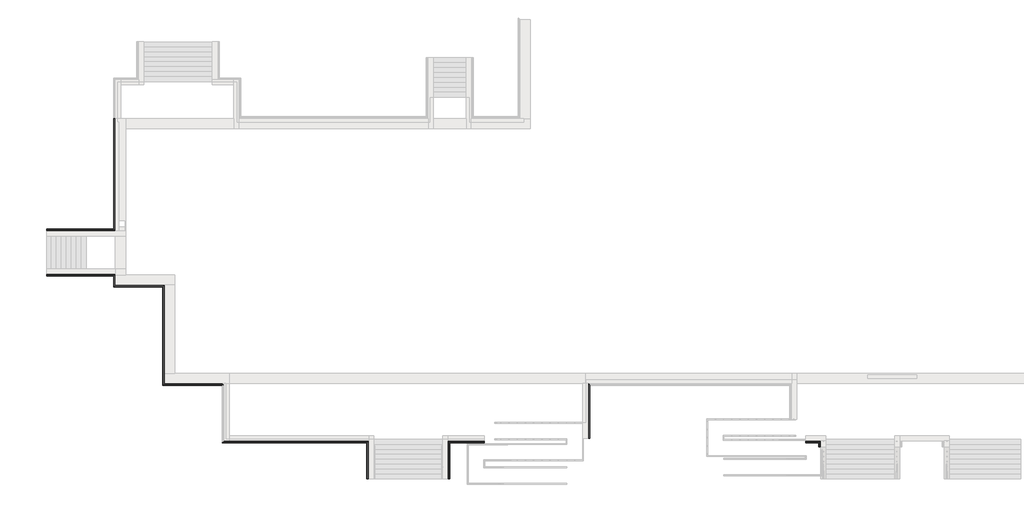
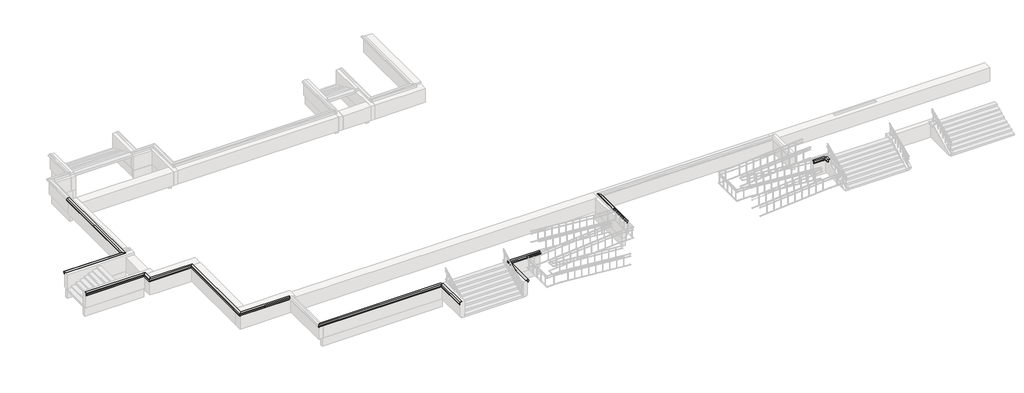
# One storey, part 5 of 10: 14 proxies.
"""IFC4 building model written with IfcOpenShell, lengths in millimetres."""

from ifc_helpers import new_model, si_unit, point, frame, frame_2d, origin, place, context, project, spatial, polyline, circle_curve, ellipse_curve, trimmed, segment, composite_curve, outline, extrude, element, save
from ifc_brep_helpers import plane_surface, cylinder_surface, revolved_surface, advanced_brep

model = new_model("IFC4")

# Units and contexts
model_context = context("Model", 3, world=origin())
ifc_project = project(units=[si_unit("LENGTHUNIT", "METRE", prefix="MILLI")], contexts=[model_context])

# Site, building, storey
site = spatial("IfcSite", under=ifc_project)
building = spatial("IfcBuilding", under=site)
storey = spatial("IfcBuildingStorey", under=building, Elevation=-1200.0)

# Proxies
placement = place(None, origin())
element("IfcBuildingElementProxy", 1, Name="Wall Sweeps", at=placement, inside=storey, context=model_context, shape_type="AdvancedBrep", body=[
    advanced_brep(
    [(-45314.9887159, -9231.8920513, -15.0), (-45249.9887159, -9166.8920513, 30.51349), (-45099.9887159, -9016.8920513, 30.51349), (-45099.9887159, -9016.8920513, 0.0), (-45199.9887159, -9116.8920513, 0.0), (-45199.9887159, -9116.8920513, -150.0), (-45249.9887159, -9166.8920513, -150.0), (-45314.9887159, -9231.8920513, -85.0), (-45314.9887159, -15231.8920513, -15.0), (-45314.9887159, -15231.8920513, -85.0), (-45249.9887159, -15166.8920513, -150.0), (-45199.9887159, -15116.8920513, -150.0), (-45199.9887159, -15116.8920513, 0.0), (-45099.9887159, -15016.8920513, 0.0), (-45099.9887159, -15016.8920513, 30.51349), (-45249.9887159, -15166.8920513, 30.51349), (-45199.9887159, -14506.8920513, 0.0)],
    [
        (0, 1),
        (1, 2),
        (2, 3),
        (3, 4),
        (4, 5),
        (5, 6),
        (6, 7, ellipse_curve(frame((-45314.9887159, -9231.8920513, -150.0), z_axis=(0.707106781186544, -0.7071067811865511, 0.0), x_axis=(-0.7071067811865512, -0.7071067811865438, 0.0)), 91.9238816, 65.0)),
        (7, 0),
        (8, 9),
        (9, 10, ellipse_curve(frame((-45314.9887159, -15231.8920513, -150.0), z_axis=(-0.707106781186544, 0.7071067811865511, 0.0), x_axis=(-0.7071067811865512, -0.7071067811865438, 0.0)), 91.9238816, 65.0)),
        (10, 11),
        (11, 12),
        (12, 13),
        (13, 14),
        (14, 15),
        (15, 8),
        (0, 8),
        (15, 1),
        (14, 2),
        (13, 3),
        (12, 16),
        (16, 4),
        (11, 5),
        (10, 6),
        (9, 7),
    ],
    [
        plane_surface(frame((-45199.9887159, -9116.8920513, 304.8), z_axis=(-0.707106781186544, 0.7071067811865511, 0.0), x_axis=(-0.7071067811865511, -0.707106781186544, 0.0))),
        plane_surface(frame((-45199.9887159, -15116.8920513, -304.8), z_axis=(0.707106781186544, -0.7071067811865511, 0.0), x_axis=(0.7071067811865511, 0.707106781186544, 0.0))),
        plane_surface(frame((-45314.9887159, -9231.8920513, -15.0), z_axis=(-0.5735764363510482, 0.0, 0.8191520442889904), x_axis=(0.0, -1.0, 0.0))),
        plane_surface(frame((-45249.9887159, -9166.8920513, 30.51349), z_axis=(0.0, 0.0, 1.0), x_axis=(0.0, -1.0, 0.0))),
        plane_surface(frame((-45099.9887159, -9016.8920513, 30.51349), z_axis=(1.0, 0.0, 0.0), x_axis=(0.0, -1.0, 0.0))),
        plane_surface(frame((-45099.9887159, -9016.8920513, 0.0), z_axis=(0.0, 0.0, -1.0), x_axis=(0.0, -1.0, 0.0))),
        plane_surface(frame((-45199.9887159, -9116.8920513, 0.0), z_axis=(1.0, 0.0, 0.0), x_axis=(0.0, -1.0, 0.0))),
        plane_surface(frame((-45199.9887159, -9116.8920513, -150.0), z_axis=(0.0, 0.0, -1.0), x_axis=(0.0, -1.0, 0.0))),
        revolved_surface(polyline([(-45379.9887159, -15296.892051332348, -150.0), (-45379.9887159, -9166.89205126765, -150.0)]), (-45314.9887159, -9116.8920513, -150.0), (0.0, -1.0, 0.0)),
        plane_surface(frame((-45314.9887159, -9231.8920513, -85.0), z_axis=(-1.0, 0.0, 0.0), x_axis=(0.0, -1.0, 0.0))),
    ],
    [
        (0, [[1, 2, 3, 4, 5, 6, 7, 8]]),
        (1, [[9, 10, 11, 12, 13, 14, 15, 16]]),
        (2, [[-1, 17, -16, 18]]),
        (3, [[-2, -18, -15, 19]]),
        (4, [[-3, -19, -14, 20]]),
        (5, [[-4, -20, -13, 21, 22]]),
        (6, [[-5, -22, -21, -12, 23]]),
        (7, [[-6, -23, -11, 24]]),
        (8, [[-7, -24, -10, 25]]),
        (9, [[-8, -25, -9, -17]]),
    ],
),
])
element("IfcBuildingElementProxy", 2, Name="Wall Sweeps", at=placement, inside=storey, context=model_context, shape_type="AdvancedBrep", body=[
    advanced_brep(
    [(-48314.9887159, -9231.8920513, -15.0), (-48249.9887159, -9166.8920513, 30.51349), (-48099.9887159, -9016.8920513, 30.51349), (-48099.9887159, -9016.8920513, 0.0), (-48199.9887159, -9116.8920513, 0.0), (-48199.9887159, -9116.8920513, -150.0), (-48249.9887159, -9166.8920513, -150.0), (-48314.9887159, -9231.8920513, -85.0), (-45314.9887159, -9231.8920513, -15.0), (-45314.9887159, -9231.8920513, -85.0), (-45249.9887159, -9166.8920513, -150.0), (-45199.9887159, -9116.8920513, -150.0), (-45199.9887159, -9116.8920513, 0.0), (-45099.9887159, -9016.8920513, 0.0), (-45099.9887159, -9016.8920513, 30.51349), (-45249.9887159, -9166.8920513, 30.51349), (-47589.9887159, -9016.8920513, 0.0)],
    [
        (0, 1),
        (1, 2),
        (2, 3),
        (3, 4),
        (4, 5),
        (5, 6),
        (6, 7, ellipse_curve(frame((-48314.9887159, -9231.8920513, -150.0), z_axis=(0.707106781186544, -0.7071067811865511, 0.0), x_axis=(0.707106781186551, 0.707106781186544, 0.0)), 91.9238816, 65.0)),
        (7, 0),
        (8, 9),
        (9, 10, ellipse_curve(frame((-45314.9887159, -9231.8920513, -150.0), z_axis=(-0.707106781186544, 0.7071067811865511, 0.0), x_axis=(0.707106781186551, 0.707106781186544, 0.0)), 91.9238816, 65.0)),
        (10, 11),
        (11, 12),
        (12, 13),
        (13, 14),
        (14, 15),
        (15, 8),
        (0, 8),
        (15, 1),
        (14, 2),
        (13, 16),
        (16, 3),
        (12, 4),
        (11, 5),
        (10, 6),
        (9, 7),
    ],
    [
        plane_surface(frame((-48199.9887159, -9116.8920513, -304.8), z_axis=(-0.707106781186544, 0.7071067811865511, 0.0), x_axis=(0.7071067811865511, 0.707106781186544, 0.0))),
        plane_surface(frame((-45199.9887159, -9116.8920513, 304.8), z_axis=(0.707106781186544, -0.7071067811865511, 0.0), x_axis=(-0.7071067811865511, -0.707106781186544, 0.0))),
        plane_surface(frame((-48314.9887159, -9231.8920513, -15.0), z_axis=(0.0, -0.5735764363510482, 0.8191520442889904), x_axis=(1.0, 0.0, 0.0))),
        plane_surface(frame((-48249.9887159, -9166.8920513, 30.51349), z_axis=(0.0, 0.0, 1.0), x_axis=(1.0, 0.0, 0.0))),
        plane_surface(frame((-48099.9887159, -9016.8920513, 30.51349), z_axis=(0.0, 1.0, 0.0), x_axis=(1.0, 0.0, 0.0))),
        plane_surface(frame((-48099.9887159, -9016.8920513, 0.0), z_axis=(0.0, 0.0, -1.0), x_axis=(1.0, 0.0, 0.0))),
        plane_surface(frame((-48199.9887159, -9116.8920513, 0.0), z_axis=(0.0, 1.0, 0.0), x_axis=(1.0, 0.0, 0.0))),
        plane_surface(frame((-48199.9887159, -9116.8920513, -150.0), z_axis=(0.0, 0.0, -1.0), x_axis=(1.0, 0.0, 0.0))),
        revolved_surface(polyline([(-45249.98871586765, -9296.8920513, -150.0), (-48379.98871593235, -9296.8920513, -150.0)]), (-48199.9887159, -9231.8920513, -150.0), (1.0, 0.0, 0.0)),
        plane_surface(frame((-48314.9887159, -9231.8920513, -85.0), z_axis=(0.0, -1.0, 0.0), x_axis=(1.0, 0.0, 0.0))),
    ],
    [
        (0, [[1, 2, 3, 4, 5, 6, 7, 8]]),
        (1, [[9, 10, 11, 12, 13, 14, 15, 16]]),
        (2, [[-1, 17, -16, 18]]),
        (3, [[-2, -18, -15, 19]]),
        (4, [[-3, -19, -14, 20, 21]]),
        (5, [[-4, -21, -20, -13, 22]]),
        (6, [[-5, -22, -12, 23]]),
        (7, [[-6, -23, -11, 24]]),
        (8, [[-7, -24, -10, 25]]),
        (9, [[-8, -25, -9, -17]]),
    ],
),
])
element("IfcBuildingElementProxy", 3, Name="Wall Sweeps", at=placement, inside=storey, context=model_context, shape_type="AdvancedBrep", body=[
    advanced_brep(
    [(-32914.9887159, -18646.8920513, -15.0), (-32849.9887159, -18646.8920513, 30.51349), (-32799.9887159, -18646.8920513, 30.51349), (-32699.9887159, -18646.8920513, 30.51349), (-32699.9887159, -18646.8920513, 0.0), (-32799.9887159, -18646.8920513, 0.0), (-32799.9887159, -18646.8920513, -150.0), (-32849.9887159, -18646.8920513, -150.0), (-32914.9887159, -18646.8920513, -85.0), (-32914.9887159, -20906.8920513, -15.0), (-32914.9887159, -20906.8920513, -85.0), (-32849.9887159, -20906.8920513, -150.0), (-32799.9887159, -20906.8920513, -150.0), (-32799.9887159, -20906.8920513, 0.0), (-32699.9887159, -20906.8920513, 0.0), (-32699.9887159, -20906.8920513, 30.51349), (-32849.9887159, -20906.8920513, 30.51349), (-32914.9887159, -18731.8920513, -85.0), (-32914.9887159, -18731.8920513, -15.0), (-32849.9887159, -18666.8920513, -150.0), (-32849.9887159, -18666.8920513, 30.51349)],
    [
        (0, 1),
        (1, 2),
        (2, 3),
        (3, 4),
        (4, 5),
        (5, 6),
        (6, 7),
        (7, 8, circle_curve(frame((-32914.9887159, -18646.8920513, -150.0), z_axis=(0.0, -1.0, 0.0), x_axis=(-1.0, 0.0, 0.0)), 65.0)),
        (8, 0),
        (9, 10),
        (10, 11, circle_curve(frame((-32914.9887159, -20906.8920513, -150.0), z_axis=(0.0, 1.0, 0.0), x_axis=(-1.0, 0.0, 0.0)), 65.0)),
        (11, 12),
        (12, 13),
        (13, 14),
        (14, 15),
        (15, 16),
        (16, 9),
        (8, 17),
        (17, 10),
        (9, 18),
        (18, 0),
        (7, 19),
        (19, 11),
        (6, 12),
        (5, 13),
        (4, 14),
        (3, 15),
        (1, 20),
        (20, 16),
    ],
    [
        plane_surface(frame((-32958.1025989, -18646.8920513, 0.0), z_axis=(0.0, 1.0, 0.0), x_axis=(0.0, 0.0, -1.0))),
        plane_surface(frame((-32958.1025989, -20906.8920513, 0.0), z_axis=(0.0, -1.0, 0.0), x_axis=(0.0, 0.0, -1.0))),
        plane_surface(frame((-32914.9887159, -18646.8920513, -85.0), z_axis=(-1.0, 0.0, 0.0), x_axis=(0.0, -1.0, 0.0))),
        revolved_surface(polyline([(-32979.9887159, -20906.8920513, -150.0), (-32979.9887159, -18646.8920513, -150.0)]), (-32914.9887159, -18646.8920513, -150.0), (0.0, -1.0, 0.0)),
        plane_surface(frame((-32799.9887159, -18646.8920513, -150.0), z_axis=(0.0, 0.0, -1.0), x_axis=(0.0, -1.0, 0.0))),
        plane_surface(frame((-32799.9887159, -18646.8920513, 0.0), z_axis=(1.0, 0.0, 0.0), x_axis=(0.0, -1.0, 0.0))),
        plane_surface(frame((-32699.9887159, -18646.8920513, 0.0), z_axis=(0.0, 0.0, -1.0), x_axis=(0.0, -1.0, 0.0))),
        plane_surface(frame((-32699.9887159, -18646.8920513, 30.51349), z_axis=(1.0, 0.0, 0.0), x_axis=(0.0, -1.0, 0.0))),
        plane_surface(frame((-32849.9887159, -18646.8920513, 30.51349), z_axis=(0.0, 0.0, 1.0), x_axis=(0.0, -1.0, 0.0))),
        plane_surface(frame((-32914.9887159, -18646.8920513, -15.0), z_axis=(-0.5735764363510482, 0.0, 0.8191520442889904), x_axis=(0.0, -1.0, 0.0))),
    ],
    [
        (0, [[1, 2, 3, 4, 5, 6, 7, 8, 9]]),
        (1, [[10, 11, 12, 13, 14, 15, 16, 17]]),
        (2, [[-9, 18, 19, -10, 20, 21]]),
        (3, [[-8, 22, 23, -11, -19, -18]]),
        (4, [[-7, 24, -12, -23, -22]]),
        (5, [[-6, 25, -13, -24]]),
        (6, [[-5, 26, -14, -25]]),
        (7, [[-4, 27, -15, -26]]),
        (8, [[-3, -2, 28, 29, -16, -27]]),
        (9, [[-1, -21, -20, -17, -29, -28]]),
    ],
),
])
element("IfcBuildingElementProxy", 4, Name="Wall Sweeps", at=placement, inside=storey, context=model_context, shape_type="AdvancedBrep", body=[
    advanced_brep(
    [(-27884.9887159, -18731.8920513, -15.0), (-27884.9887159, -18731.8920513, -85.0), (-27949.9887159, -18666.8920513, -150.0), (-27999.9887159, -18616.8920513, -150.0), (-27999.9887159, -18616.8920513, 0.0), (-28099.9887159, -18516.8920513, 0.0), (-28099.9887159, -18516.8920513, 30.51349), (-27949.9887159, -18666.8920513, 30.51349), (-27884.9887159, -20906.8920513, -15.0), (-27949.9887159, -20906.8920513, 30.51349), (-28099.9887159, -20906.8920513, 30.51349), (-28099.9887159, -20906.8920513, 0.0), (-27999.9887159, -20906.8920513, 0.0), (-27999.9887159, -20906.8920513, -150.0), (-27949.9887159, -20906.8920513, -150.0), (-27884.9887159, -20906.8920513, -85.0)],
    [
        (0, 1),
        (1, 2, ellipse_curve(frame((-27884.9887159, -18731.8920513, -150.0), z_axis=(-0.707106781186544, -0.7071067811865511, 0.0), x_axis=(0.7071067811865511, -0.7071067811865439, 0.0)), 91.9238816, 65.0)),
        (2, 3),
        (3, 4),
        (4, 5),
        (5, 6),
        (6, 7),
        (7, 0),
        (8, 9),
        (9, 10),
        (10, 11),
        (11, 12),
        (12, 13),
        (13, 14),
        (14, 15, circle_curve(frame((-27884.9887159, -20906.8920513, -150.0), z_axis=(0.0, 1.0, 0.0), x_axis=(1.0, 0.0, 0.0)), 65.0)),
        (15, 8),
        (0, 8),
        (15, 1),
        (14, 2),
        (13, 3),
        (12, 4),
        (11, 5),
        (10, 6),
        (9, 7),
    ],
    [
        plane_surface(frame((-27999.9887159, -18616.8920513, -304.8), z_axis=(0.707106781186544, 0.7071067811865511, 0.0), x_axis=(0.7071067811865511, -0.707106781186544, 0.0))),
        plane_surface(frame((-28158.1025989, -20906.8920513, 0.0), z_axis=(0.0, -1.0, 0.0), x_axis=(0.0, 0.0, -1.0))),
        plane_surface(frame((-27884.9887159, -18731.8920513, -15.0), z_axis=(1.0, 0.0, 0.0), x_axis=(0.0, -1.0, 0.0))),
        revolved_surface(polyline([(-27819.9887159, -20906.8920513, -150.0), (-27819.9887159, -18666.892051267652, -150.0)]), (-27884.9887159, -18616.8920513, -150.0), (0.0, -1.0, 0.0)),
        plane_surface(frame((-27949.9887159, -18666.8920513, -150.0), z_axis=(0.0, 0.0, -1.0), x_axis=(0.0, -1.0, 0.0))),
        plane_surface(frame((-27999.9887159, -18616.8920513, -150.0), z_axis=(-1.0, 0.0, 0.0), x_axis=(0.0, -1.0, 0.0))),
        plane_surface(frame((-27999.9887159, -18616.8920513, 0.0), z_axis=(0.0, 0.0, -1.0), x_axis=(0.0, -1.0, 0.0))),
        plane_surface(frame((-28099.9887159, -18516.8920513, 0.0), z_axis=(-1.0, 0.0, 0.0), x_axis=(0.0, -1.0, 0.0))),
        plane_surface(frame((-28099.9887159, -18516.8920513, 30.51349), z_axis=(0.0, 0.0, 1.0), x_axis=(0.0, -1.0, 0.0))),
        plane_surface(frame((-27949.9887159, -18666.8920513, 30.51349), z_axis=(0.5735764363510482, 0.0, 0.8191520442889904), x_axis=(0.0, -1.0, 0.0))),
    ],
    [
        (0, [[1, 2, 3, 4, 5, 6, 7, 8]]),
        (1, [[9, 10, 11, 12, 13, 14, 15, 16]]),
        (2, [[-1, 17, -16, 18]]),
        (3, [[-2, -18, -15, 19]]),
        (4, [[-3, -19, -14, 20]]),
        (5, [[-4, -20, -13, 21]]),
        (6, [[-5, -21, -12, 22]]),
        (7, [[-6, -22, -11, 23]]),
        (8, [[-7, -23, -10, 24]]),
        (9, [[-8, -24, -9, -17]]),
    ],
),
])
element("IfcBuildingElementProxy", 5, Name="Wall Sweeps", at=placement, inside=storey, context=model_context, shape_type="SweptSolid", body=[
    extrude(outline(composite_curve([segment(polyline([(-15.0, -5454.9887159), (-85.0, -5454.9887159)]), True, "CONTINUOUS"), segment(trimmed(circle_curve(frame_2d((-150.0, -5454.9887159)), 65.0), [point((-85.0, -5454.9887159))], [point((-150.0, -5389.9887159))], True, "CARTESIAN"), True, "CONTINUOUS"), segment(polyline([(-150.0, -5389.9887159), (-150.0, -5339.9887159), (0.0, -5339.9887159), (0.0, -5239.9887159), (30.51349, -5239.9887159), (30.51349, -5389.9887159), (-15.0, -5454.9887159)]), True, "CONTINUOUS")], self_intersect=False)), frame((0.0, -18966.8920513, 0.0), z_axis=(0.0, 1.0, 0.0), x_axis=(0.0, 0.0, 1.0)), (0.0, 0.0, 1.0), 320.0),
])
element("IfcBuildingElementProxy", 6, Name="Wall Sweeps", at=placement, inside=storey, context=model_context, shape_type="AdvancedBrep", body=[
    advanced_brep(
    [(-41644.9887159, -15231.8920513, -15.0), (-41644.9887159, -15231.8920513, -85.0), (-41644.9887159, -15166.8920513, -150.0), (-41644.9887159, -15116.8920513, -150.0), (-41644.9887159, -15116.8920513, 0.0), (-41644.9887159, -15016.8920513, 0.0), (-41644.9887159, -15016.8920513, 30.51349), (-41644.9887159, -15166.8920513, 30.51349), (-45314.9887159, -15231.8920513, -15.0), (-45249.9887159, -15166.8920513, 30.51349), (-45099.9887159, -15016.8920513, 30.51349), (-45099.9887159, -15016.8920513, 0.0), (-45199.9887159, -15116.8920513, 0.0), (-45199.9887159, -15116.8920513, -150.0), (-45249.9887159, -15166.8920513, -150.0), (-45314.9887159, -15231.8920513, -85.0)],
    [
        (0, 1),
        (1, 2, circle_curve(frame((-41644.9887159, -15231.8920513, -150.0), z_axis=(-1.0, 0.0, 0.0), x_axis=(0.0, -1.0, 0.0)), 65.0)),
        (2, 3),
        (3, 4),
        (4, 5),
        (5, 6),
        (6, 7),
        (7, 0),
        (8, 9),
        (9, 10),
        (10, 11),
        (11, 12),
        (12, 13),
        (13, 14),
        (14, 15, ellipse_curve(frame((-45314.9887159, -15231.8920513, -150.0), z_axis=(0.707106781186544, -0.7071067811865511, 0.0), x_axis=(-0.707106781186551, -0.7071067811865441, 0.0)), 91.9238816, 65.0)),
        (15, 8),
        (0, 8),
        (15, 1),
        (14, 2),
        (13, 3),
        (12, 4),
        (11, 5),
        (10, 6),
        (9, 7),
    ],
    [
        plane_surface(frame((-41644.9887159, -15116.8920513, -158.113883), z_axis=(1.0, 0.0, 0.0), x_axis=(0.0, -1.0, 0.0))),
        plane_surface(frame((-45199.9887159, -15116.8920513, 304.8), z_axis=(-0.707106781186544, 0.7071067811865511, 0.0), x_axis=(0.7071067811865511, 0.707106781186544, 0.0))),
        plane_surface(frame((-41644.9887159, -15231.8920513, -15.0), z_axis=(0.0, -1.0, 0.0), x_axis=(-1.0, 0.0, 0.0))),
        revolved_surface(polyline([(-45379.98871593235, -15296.8920513, -150.0), (-41644.9887159, -15296.8920513, -150.0)]), (-41644.9887159, -15231.8920513, -150.0), (-1.0, 0.0, 0.0)),
        plane_surface(frame((-41644.9887159, -15166.8920513, -150.0), z_axis=(0.0, 0.0, -1.0), x_axis=(-1.0, 0.0, 0.0))),
        plane_surface(frame((-41644.9887159, -15116.8920513, -150.0), z_axis=(0.0, 1.0, 0.0), x_axis=(-1.0, 0.0, 0.0))),
        plane_surface(frame((-41644.9887159, -15116.8920513, 0.0), z_axis=(0.0, 0.0, -1.0), x_axis=(-1.0, 0.0, 0.0))),
        plane_surface(frame((-41644.9887159, -15016.8920513, 0.0), z_axis=(0.0, 1.0, 0.0), x_axis=(-1.0, 0.0, 0.0))),
        plane_surface(frame((-41644.9887159, -15016.8920513, 30.51349), z_axis=(0.0, 0.0, 1.0), x_axis=(-1.0, 0.0, 0.0))),
        plane_surface(frame((-41644.9887159, -15166.8920513, 30.51349), z_axis=(0.0, -0.5735764363510482, 0.8191520442889904), x_axis=(-1.0, 0.0, 0.0))),
    ],
    [
        (0, [[1, 2, 3, 4, 5, 6, 7, 8]]),
        (1, [[9, 10, 11, 12, 13, 14, 15, 16]]),
        (2, [[-1, 17, -16, 18]]),
        (3, [[-2, -18, -15, 19]]),
        (4, [[-3, -19, -14, 20]]),
        (5, [[-4, -20, -13, 21]]),
        (6, [[-5, -21, -12, 22]]),
        (7, [[-6, -22, -11, 23]]),
        (8, [[-7, -23, -10, 24]]),
        (9, [[-8, -24, -9, -17]]),
    ],
),
])
element("IfcBuildingElementProxy", 7, Name="Wall Sweeps", at=placement, inside=storey, context=model_context, shape_type="SweptSolid", body=[
    extrude(outline(composite_curve([segment(polyline([(-18731.8920513, -15.0), (-18666.8920513, 30.51349), (-18516.8920513, 30.51349), (-18516.8920513, 0.0), (-18616.8920513, 0.0), (-18616.8920513, -150.0), (-18666.8920513, -150.0)]), True, "CONTINUOUS"), segment(trimmed(circle_curve(frame_2d((-18731.8920513, -150.0)), 65.0), [point((-18666.8920513, -150.0))], [point((-18731.8920513, -85.0))], True, "CARTESIAN"), True, "CONTINUOUS"), segment(polyline([(-18731.8920513, -85.0), (-18731.8920513, -15.0)]), True, "CONTINUOUS")], self_intersect=False)), frame((-6239.9887159, 0.0, 0.0), z_axis=(1.0, 0.0, 0.0), x_axis=(0.0, 1.0, 0.0)), (0.0, 0.0, 1.0), 825.0),
])
element("IfcBuildingElementProxy", 8, Name="Wall Sweeps", at=placement, inside=storey, context=model_context, shape_type="AdvancedBrep", body=[
    advanced_brep(
    [(-41714.988716, -18731.8920513, -15.0), (-41649.988716, -18666.8920513, 30.51349), (-41499.988716, -18516.8920513, 30.51349), (-41499.988716, -18516.8920513, 0.0), (-41599.988716, -18616.8920513, 0.0), (-41599.988716, -18616.8920513, -150.0), (-41649.988716, -18666.8920513, -150.0), (-41714.988716, -18731.8920513, -85.0), (-32799.9887159, -18516.8920513, 0.0), (-32799.9887159, -18516.8920513, 30.51349), (-32799.9887159, -18646.8920513, 30.51349), (-32799.9887159, -18646.8920513, 0.0), (-32799.9887159, -18646.8920513, -150.0), (-32799.9887159, -18616.8920513, -150.0), (-32799.9887159, -18616.8920513, 0.0), (-32914.9887159, -18731.8920513, -15.0), (-32849.9887159, -18666.8920513, 30.51349), (-32849.9887159, -18646.8920513, 30.51349), (-41289.988716, -18616.8920513, 0.0), (-32849.9887159, -18646.8920513, -150.0), (-32849.9887159, -18666.8920513, -150.0), (-32914.9887159, -18731.8920513, -85.0), (-32914.9887159, -18646.8920513, -15.0), (-32914.9887159, -18646.8920513, -85.0)],
    [
        (0, 1),
        (1, 2),
        (2, 3),
        (3, 4),
        (4, 5),
        (5, 6),
        (6, 7, ellipse_curve(frame((-41714.988716, -18731.8920513, -150.0), z_axis=(0.707106781186544, -0.7071067811865511, 0.0), x_axis=(0.7071067811865509, 0.7071067811865441, 0.0)), 91.9238816, 65.0)),
        (7, 0),
        (8, 9),
        (9, 10),
        (10, 11),
        (11, 12),
        (12, 13),
        (13, 14),
        (14, 8),
        (0, 15),
        (15, 16),
        (16, 1),
        (16, 17),
        (17, 10),
        (9, 2),
        (8, 3),
        (14, 18),
        (18, 4),
        (13, 5),
        (12, 19),
        (19, 20),
        (20, 6),
        (20, 21, ellipse_curve(frame((-32914.9887159, -18731.8920513, -150.0), z_axis=(0.7071067811865456, -0.7071067811865495, 0.0), x_axis=(0.7071067811865495, 0.7071067811865456, 0.0)), 91.9238816, 65.0)),
        (21, 7),
        (21, 15),
        (17, 22),
        (22, 23),
        (23, 19, circle_curve(frame((-32914.9887159, -18646.8920513, -150.0), z_axis=(0.0, 1.0, 0.0), x_axis=(-1.0, 0.0, 0.0)), 65.0)),
        (22, 15),
        (21, 23),
    ],
    [
        plane_surface(frame((-41599.988716, -18616.8920513, -304.8), z_axis=(-0.707106781186544, 0.7071067811865511, 0.0), x_axis=(0.7071067811865511, 0.707106781186544, 0.0))),
        plane_surface(frame((-32799.9887159, -18616.8920513, -158.113883), z_axis=(1.0, 0.0, 0.0), x_axis=(0.0, 1.0, 0.0))),
        plane_surface(frame((-41714.988716, -18731.8920513, -15.0), z_axis=(0.0, -0.5735764363510482, 0.8191520442889904), x_axis=(1.0, 0.0, 0.0))),
        plane_surface(frame((-41649.988716, -18666.8920513, 30.51349), z_axis=(0.0, 0.0, 1.0), x_axis=(1.0, 0.0, 0.0))),
        plane_surface(frame((-41499.988716, -18516.8920513, 30.51349), z_axis=(0.0, 1.0, 0.0), x_axis=(1.0, 0.0, 0.0))),
        plane_surface(frame((-41499.988716, -18516.8920513, 0.0), z_axis=(0.0, 0.0, -1.0), x_axis=(1.0, 0.0, 0.0))),
        plane_surface(frame((-41599.988716, -18616.8920513, 0.0), z_axis=(0.0, 1.0, 0.0), x_axis=(1.0, 0.0, 0.0))),
        plane_surface(frame((-41599.988716, -18616.8920513, -150.0), z_axis=(0.0, 0.0, -1.0), x_axis=(1.0, 0.0, 0.0))),
        revolved_surface(polyline([(-32849.98871586765, -18796.8920513, -150.0), (-41779.98871603235, -18796.8920513, -150.0)]), (-41599.988716, -18731.8920513, -150.0), (1.0, 0.0, 0.0)),
        plane_surface(frame((-41714.988716, -18731.8920513, -85.0), z_axis=(0.0, -1.0, 0.0), x_axis=(1.0, 0.0, 0.0))),
        plane_surface(frame((-32958.1025989, -18646.8920513, 0.0), z_axis=(0.0, -1.0, 0.0), x_axis=(0.0, 0.0, -1.0))),
        plane_surface(frame((-32914.9887159, -18646.8920513, -85.0), z_axis=(1.0, 0.0, 0.0), x_axis=(0.0, -1.0, 0.0))),
        cylinder_surface(frame((-32914.9887159, -18646.8920513, -150.0), z_axis=(0.0, -1.0, 0.0), x_axis=(-1.0, 0.0, 0.0)), 65.0),
        plane_surface(frame((-32914.9887159, -18646.8920513, -15.0), z_axis=(0.5735764363510482, 0.0, -0.8191520442889904), x_axis=(0.0, -1.0, 0.0))),
    ],
    [
        (0, [[1, 2, 3, 4, 5, 6, 7, 8]]),
        (1, [[9, 10, 11, 12, 13, 14, 15]]),
        (2, [[-1, 16, 17, 18]]),
        (3, [[-2, -18, 19, 20, -10, 21]]),
        (4, [[-3, -21, -9, 22]]),
        (5, [[-4, -22, -15, 23, 24]]),
        (6, [[-5, -24, -23, -14, 25]]),
        (7, [[-6, -25, -13, 26, 27, 28]]),
        (8, [[-7, -28, 29, 30]]),
        (9, [[-8, -30, 31, -16]]),
        (10, [[32, 33, 34, -26, -12, -11, -20]]),
        (11, [[-33, 35, -31, 36]]),
        (12, [[-34, -36, -29, -27]]),
        (13, [[-32, -19, -17, -35]]),
    ],
),
])
element("IfcBuildingElementProxy", 9, Name="Wall Sweeps", at=placement, inside=storey, context=model_context, shape_type="AdvancedBrep", body=[
    advanced_brep(
    [(-19364.9887159, -18461.8920513, -15.0), (-19429.9887159, -18461.8920513, 30.51349), (-19579.9887159, -18461.8920513, 30.51349), (-19579.9887159, -18461.8920513, 0.0), (-19479.9887159, -18461.8920513, 0.0), (-19479.9887159, -18461.8920513, -150.0), (-19429.9887159, -18461.8920513, -150.0), (-19364.9887159, -18461.8920513, -85.0), (-19364.9887159, -15231.8920513, -15.0), (-19364.9887159, -15231.8920513, -85.0), (-19429.9887159, -15166.8920513, -150.0), (-19479.9887159, -15116.8920513, -150.0), (-19479.9887159, -15116.8920513, 0.0), (-19579.9887159, -15016.8920513, 0.0), (-19579.9887159, -15016.8920513, 30.51349), (-19429.9887159, -15166.8920513, 30.51349)],
    [
        (0, 1),
        (1, 2),
        (2, 3),
        (3, 4),
        (4, 5),
        (5, 6),
        (6, 7, circle_curve(frame((-19364.9887159, -18461.8920513, -150.0), z_axis=(0.0, 1.0, 0.0), x_axis=(1.0, 0.0, 0.0)), 65.0)),
        (7, 0),
        (8, 9),
        (9, 10, ellipse_curve(frame((-19364.9887159, -15231.8920513, -150.0), z_axis=(-0.7071067811865476, -0.7071067811865476, 0.0), x_axis=(-0.7071067811865477, 0.7071067811865474, 0.0)), 91.9238816, 65.0)),
        (10, 11),
        (11, 12),
        (12, 13),
        (13, 14),
        (14, 15),
        (15, 8),
        (0, 8),
        (15, 1),
        (14, 2),
        (13, 3),
        (12, 4),
        (11, 5),
        (10, 6),
        (9, 7),
    ],
    [
        plane_surface(frame((-19638.1025989, -18461.8920513, 0.0), z_axis=(0.0, -1.0, 0.0), x_axis=(0.0, 0.0, 1.0))),
        plane_surface(frame((-19479.9887159, -15116.8920513, 304.8), z_axis=(0.7071067811865476, 0.7071067811865476, 0.0), x_axis=(0.7071067811865476, -0.7071067811865476, 0.0))),
        plane_surface(frame((-19364.9887159, -18461.8920513, -15.0), z_axis=(0.5735764363510482, 0.0, 0.8191520442889904), x_axis=(0.0, 1.0, 0.0))),
        plane_surface(frame((-19429.9887159, -18461.8920513, 30.51349), z_axis=(0.0, 0.0, 1.0), x_axis=(0.0, 1.0, 0.0))),
        plane_surface(frame((-19579.9887159, -18461.8920513, 30.51349), z_axis=(-1.0, 0.0, 0.0), x_axis=(0.0, 1.0, 0.0))),
        plane_surface(frame((-19579.9887159, -18461.8920513, 0.0), z_axis=(0.0, 0.0, -1.0), x_axis=(0.0, 1.0, 0.0))),
        plane_surface(frame((-19479.9887159, -18461.8920513, 0.0), z_axis=(-1.0, 0.0, 0.0), x_axis=(0.0, 1.0, 0.0))),
        plane_surface(frame((-19479.9887159, -18461.8920513, -150.0), z_axis=(0.0, 0.0, -1.0), x_axis=(0.0, 1.0, 0.0))),
        revolved_surface(polyline([(-19299.9887159, -15166.89205126765, -150.0), (-19299.9887159, -18461.8920513, -150.0)]), (-19364.9887159, -18461.8920513, -150.0), (0.0, 1.0, 0.0)),
        plane_surface(frame((-19364.9887159, -18461.8920513, -85.0), z_axis=(1.0, 0.0, 0.0), x_axis=(0.0, 1.0, 0.0))),
    ],
    [
        (0, [[1, 2, 3, 4, 5, 6, 7, 8]]),
        (1, [[9, 10, 11, 12, 13, 14, 15, 16]]),
        (2, [[-1, 17, -16, 18]]),
        (3, [[-2, -18, -15, 19]]),
        (4, [[-3, -19, -14, 20]]),
        (5, [[-4, -20, -13, 21]]),
        (6, [[-5, -21, -12, 22]]),
        (7, [[-6, -22, -11, 23]]),
        (8, [[-7, -23, -10, 24]]),
        (9, [[-8, -24, -9, -17]]),
    ],
),
])
element("IfcBuildingElementProxy", 10, Name="Wall Sweeps", at=placement, inside=storey, context=model_context, shape_type="AdvancedBrep", body=[
    advanced_brep(
    [(-48314.9887159, -5721.8920513, -15.0), (-48249.9887159, -5786.8920513, 30.51349), (-48099.9887159, -5936.8920513, 30.51349), (-48099.9887159, -5936.8920513, 0.0), (-48199.9887159, -5836.8920513, 0.0), (-48199.9887159, -5836.8920513, -150.0), (-48249.9887159, -5786.8920513, -150.0), (-48314.9887159, -5721.8920513, -85.0), (-52389.9887159, -5721.8920513, -15.0), (-52389.9887159, -5721.8920513, -85.0), (-52389.9887159, -5786.8920513, -150.0), (-52389.9887159, -5836.8920513, -150.0), (-52389.9887159, -5836.8920513, 0.0), (-52389.9887159, -5936.8920513, 0.0), (-52389.9887159, -5936.8920513, 30.51349), (-52389.9887159, -5786.8920513, 30.51349)],
    [
        (0, 1),
        (1, 2),
        (2, 3),
        (3, 4),
        (4, 5),
        (5, 6),
        (6, 7, ellipse_curve(frame((-48314.9887159, -5721.8920513, -150.0), z_axis=(-0.7071067811865458, -0.7071067811865493, 0.0), x_axis=(-0.7071067811865492, 0.7071067811865459, 0.0)), 91.9238816, 65.0)),
        (7, 0),
        (8, 9),
        (9, 10, circle_curve(frame((-52389.9887159, -5721.8920513, -150.0), z_axis=(1.0, 0.0, 0.0), x_axis=(0.0, 1.0, 0.0)), 65.0)),
        (10, 11),
        (11, 12),
        (12, 13),
        (13, 14),
        (14, 15),
        (15, 8),
        (7, 9),
        (8, 0),
        (6, 10),
        (5, 11),
        (4, 12),
        (3, 13),
        (2, 14),
        (1, 15),
    ],
    [
        plane_surface(frame((-48199.9887159, -5836.8920513, 304.8), z_axis=(0.7071067811865458, 0.7071067811865493, 0.0), x_axis=(-0.7071067811865493, 0.7071067811865458, 0.0))),
        plane_surface(frame((-52389.9887159, -5836.8920513, -158.113883), z_axis=(-1.0, 0.0, 0.0), x_axis=(0.0, -1.0, 0.0))),
        plane_surface(frame((-48314.9887159, -5721.8920513, -85.0), z_axis=(0.0, 1.0, 0.0), x_axis=(-1.0, 0.0, 0.0))),
        revolved_surface(polyline([(-52389.9887159, -5656.8920513, -150.0), (-48249.98871586765, -5656.8920513, -150.0)]), (-48199.9887159, -5721.8920513, -150.0), (-1.0, 0.0, 0.0)),
        plane_surface(frame((-48199.9887159, -5836.8920513, -150.0), z_axis=(0.0, 0.0, -1.0), x_axis=(-1.0, 0.0, 0.0))),
        plane_surface(frame((-48199.9887159, -5836.8920513, 0.0), z_axis=(0.0, -1.0, 0.0), x_axis=(-1.0, 0.0, 0.0))),
        plane_surface(frame((-48099.9887159, -5936.8920513, 0.0), z_axis=(0.0, 0.0, -1.0), x_axis=(-1.0, 0.0, 0.0))),
        plane_surface(frame((-48099.9887159, -5936.8920513, 30.51349), z_axis=(0.0, -1.0, 0.0), x_axis=(-1.0, 0.0, 0.0))),
        plane_surface(frame((-48249.9887159, -5786.8920513, 30.51349), z_axis=(0.0, 0.0, 1.0), x_axis=(-1.0, 0.0, 0.0))),
        plane_surface(frame((-48314.9887159, -5721.8920513, -15.0), z_axis=(0.0, 0.5735764363510482, 0.8191520442889904), x_axis=(-1.0, 0.0, 0.0))),
    ],
    [
        (0, [[1, 2, 3, 4, 5, 6, 7, 8]]),
        (1, [[9, 10, 11, 12, 13, 14, 15, 16]]),
        (2, [[-8, 17, -9, 18]]),
        (3, [[-7, 19, -10, -17]]),
        (4, [[-6, 20, -11, -19]]),
        (5, [[-5, 21, -12, -20]]),
        (6, [[-4, 22, -13, -21]]),
        (7, [[-3, 23, -14, -22]]),
        (8, [[-2, 24, -15, -23]]),
        (9, [[-1, -18, -16, -24]]),
    ],
),
])
element("IfcBuildingElementProxy", 11, Name="Wall Sweeps", at=placement, inside=storey, context=model_context, shape_type="AdvancedBrep", body=[
    advanced_brep(
    [(-48314.9887159, -8571.8920513, -15.0), (-48314.9887159, -8571.8920513, -85.0), (-48249.9887159, -8506.8920513, -150.0), (-48199.9887159, -8456.8920513, -150.0), (-48199.9887159, -8456.8920513, 0.0), (-48099.9887159, -8356.8920513, 0.0), (-48099.9887159, -8356.8920513, 30.51349), (-48249.9887159, -8506.8920513, 30.51349), (-52389.9887159, -8571.8920513, -15.0), (-52389.9887159, -8506.8920513, 30.51349), (-52389.9887159, -8356.8920513, 30.51349), (-52389.9887159, -8356.8920513, 0.0), (-52389.9887159, -8456.8920513, 0.0), (-52389.9887159, -8456.8920513, -150.0), (-52389.9887159, -8506.8920513, -150.0), (-52389.9887159, -8571.8920513, -85.0)],
    [
        (0, 1),
        (1, 2, ellipse_curve(frame((-48314.9887159, -8571.8920513, -150.0), z_axis=(-0.707106781186544, 0.7071067811865511, 0.0), x_axis=(-0.707106781186551, -0.7071067811865441, 0.0)), 91.9238816, 65.0)),
        (2, 3),
        (3, 4),
        (4, 5),
        (5, 6),
        (6, 7),
        (7, 0),
        (8, 9),
        (9, 10),
        (10, 11),
        (11, 12),
        (12, 13),
        (13, 14),
        (14, 15, circle_curve(frame((-52389.9887159, -8571.8920513, -150.0), z_axis=(1.0, 0.0, 0.0), x_axis=(0.0, -1.0, 0.0)), 65.0)),
        (15, 8),
        (0, 8),
        (15, 1),
        (14, 2),
        (13, 3),
        (12, 4),
        (11, 5),
        (10, 6),
        (9, 7),
    ],
    [
        plane_surface(frame((-48199.9887159, -8456.8920513, -304.8), z_axis=(0.707106781186544, -0.7071067811865511, 0.0), x_axis=(-0.7071067811865511, -0.707106781186544, 0.0))),
        plane_surface(frame((-52389.9887159, -8456.8920513, -158.113883), z_axis=(-1.0, 0.0, 0.0), x_axis=(0.0, -1.0, 0.0))),
        plane_surface(frame((-48314.9887159, -8571.8920513, -15.0), z_axis=(0.0, -1.0, 0.0), x_axis=(-1.0, 0.0, 0.0))),
        revolved_surface(polyline([(-52389.9887159, -8636.8920513, -150.0), (-48249.98871586765, -8636.8920513, -150.0)]), (-48199.9887159, -8571.8920513, -150.0), (-1.0, 0.0, 0.0)),
        plane_surface(frame((-48249.9887159, -8506.8920513, -150.0), z_axis=(0.0, 0.0, -1.0), x_axis=(-1.0, 0.0, 0.0))),
        plane_surface(frame((-48199.9887159, -8456.8920513, -150.0), z_axis=(0.0, 1.0, 0.0), x_axis=(-1.0, 0.0, 0.0))),
        plane_surface(frame((-48199.9887159, -8456.8920513, 0.0), z_axis=(0.0, 0.0, -1.0), x_axis=(-1.0, 0.0, 0.0))),
        plane_surface(frame((-48099.9887159, -8356.8920513, 0.0), z_axis=(0.0, 1.0, 0.0), x_axis=(-1.0, 0.0, 0.0))),
        plane_surface(frame((-48099.9887159, -8356.8920513, 30.51349), z_axis=(0.0, 0.0, 1.0), x_axis=(-1.0, 0.0, 0.0))),
        plane_surface(frame((-48249.9887159, -8506.8920513, 30.51349), z_axis=(0.0, -0.5735764363510482, 0.8191520442889904), x_axis=(-1.0, 0.0, 0.0))),
    ],
    [
        (0, [[1, 2, 3, 4, 5, 6, 7, 8]]),
        (1, [[9, 10, 11, 12, 13, 14, 15, 16]]),
        (2, [[-1, 17, -16, 18]]),
        (3, [[-2, -18, -15, 19]]),
        (4, [[-3, -19, -14, 20]]),
        (5, [[-4, -20, -13, 21]]),
        (6, [[-5, -21, -12, 22]]),
        (7, [[-6, -22, -11, 23]]),
        (8, [[-7, -23, -10, 24]]),
        (9, [[-8, -24, -9, -17]]),
    ],
),
])
element("IfcBuildingElementProxy", 12, Name="Wall Sweeps", at=placement, inside=storey, context=model_context, shape_type="AdvancedBrep", body=[
    advanced_brep(
    [(-48314.9887159, -5721.8920513, -15.0), (-48314.9887159, -5721.8920513, -85.0), (-48249.9887159, -5786.8920513, -150.0), (-48199.9887159, -5836.8920513, -150.0), (-48199.9887159, -5836.8920513, 0.0), (-48099.9887159, -5936.8920513, 0.0), (-48099.9887159, -5936.8920513, 30.51349), (-48249.9887159, -5786.8920513, 30.51349), (-48314.9887159, 1003.1079487, -15.0), (-48249.9887159, 1003.1079487, 30.51349), (-48099.9887159, 1003.1079487, 30.51349), (-48099.9887159, 1003.1079487, 0.0), (-48199.9887159, 1003.1079487, 0.0), (-48199.9887159, 1003.1079487, -150.0), (-48249.9887159, 1003.1079487, -150.0), (-48314.9887159, 1003.1079487, -85.0), (-48099.9887159, 903.1079487, 0.0)],
    [
        (0, 1),
        (1, 2, ellipse_curve(frame((-48314.9887159, -5721.8920513, -150.0), z_axis=(0.7071067811865458, 0.7071067811865493, 0.0), x_axis=(-0.7071067811865493, 0.7071067811865457, 0.0)), 91.9238816, 65.0)),
        (2, 3),
        (3, 4),
        (4, 5),
        (5, 6),
        (6, 7),
        (7, 0),
        (8, 9),
        (9, 10),
        (10, 11),
        (11, 12),
        (12, 13),
        (13, 14),
        (14, 15, circle_curve(frame((-48314.9887159, 1003.1079487, -150.0), z_axis=(0.0, -1.0, 0.0), x_axis=(-1.0, 0.0, 0.0)), 65.0)),
        (15, 8),
        (0, 8),
        (15, 1),
        (14, 2),
        (13, 3),
        (12, 4),
        (11, 16),
        (16, 5),
        (10, 6),
        (9, 7),
    ],
    [
        plane_surface(frame((-48199.9887159, -5836.8920513, -304.8), z_axis=(-0.7071067811865458, -0.7071067811865493, 0.0), x_axis=(-0.7071067811865493, 0.7071067811865458, 0.0))),
        plane_surface(frame((-48199.9887159, 1003.1079487, 304.8), z_axis=(0.0, 1.0, 0.0), x_axis=(1.0, 0.0, 0.0))),
        plane_surface(frame((-48314.9887159, -5721.8920513, -15.0), z_axis=(-1.0, 0.0, 0.0), x_axis=(0.0, 1.0, 0.0))),
        revolved_surface(polyline([(-48379.9887159, 1003.1079486999997, -150.0), (-48379.9887159, -5786.892051332349, -150.0)]), (-48314.9887159, -5836.8920513, -150.0), (0.0, 1.0, 0.0)),
        plane_surface(frame((-48249.9887159, -5786.8920513, -150.0), z_axis=(0.0, 0.0, -1.0), x_axis=(0.0, 1.0, 0.0))),
        plane_surface(frame((-48199.9887159, -5836.8920513, -150.0), z_axis=(1.0, 0.0, 0.0), x_axis=(0.0, 1.0, 0.0))),
        plane_surface(frame((-48199.9887159, -5836.8920513, 0.0), z_axis=(0.0, 0.0, -1.0), x_axis=(0.0, 1.0, 0.0))),
        plane_surface(frame((-48099.9887159, -5936.8920513, 0.0), z_axis=(1.0, 0.0, 0.0), x_axis=(0.0, 1.0, 0.0))),
        plane_surface(frame((-48099.9887159, -5936.8920513, 30.51349), z_axis=(0.0, 0.0, 1.0), x_axis=(0.0, 1.0, 0.0))),
        plane_surface(frame((-48249.9887159, -5786.8920513, 30.51349), z_axis=(-0.5735764363510482, 0.0, 0.8191520442889904), x_axis=(0.0, 1.0, 0.0))),
    ],
    [
        (0, [[1, 2, 3, 4, 5, 6, 7, 8]]),
        (1, [[9, 10, 11, 12, 13, 14, 15, 16]]),
        (2, [[-1, 17, -16, 18]]),
        (3, [[-2, -18, -15, 19]]),
        (4, [[-3, -19, -14, 20]]),
        (5, [[-4, -20, -13, 21]]),
        (6, [[-5, -21, -12, 22, 23]]),
        (7, [[-6, -23, -22, -11, 24]]),
        (8, [[-7, -24, -10, 25]]),
        (9, [[-8, -25, -9, -17]]),
    ],
),
])
element("IfcBuildingElementProxy", 13, Name="Wall Sweeps", at=placement, inside=storey, context=model_context, shape_type="AdvancedBrep", body=[
    advanced_brep(
    [(-48314.9887159, -9231.8920513, -15.0), (-48314.9887159, -9231.8920513, -85.0), (-48249.9887159, -9166.8920513, -150.0), (-48199.9887159, -9116.8920513, -150.0), (-48199.9887159, -9116.8920513, 0.0), (-48099.9887159, -9016.8920513, 0.0), (-48099.9887159, -9016.8920513, 30.51349), (-48249.9887159, -9166.8920513, 30.51349), (-48314.9887159, -8571.8920513, -15.0), (-48249.9887159, -8506.8920513, 30.51349), (-48099.9887159, -8356.8920513, 30.51349), (-48099.9887159, -8356.8920513, 0.0), (-48199.9887159, -8456.8920513, 0.0), (-48199.9887159, -8456.8920513, -150.0), (-48249.9887159, -8506.8920513, -150.0), (-48314.9887159, -8571.8920513, -85.0), (-48199.9887159, -8506.8920513, 0.0)],
    [
        (0, 1),
        (1, 2, ellipse_curve(frame((-48314.9887159, -9231.8920513, -150.0), z_axis=(-0.707106781186544, 0.7071067811865511, 0.0), x_axis=(0.7071067811865511, 0.7071067811865439, 0.0)), 91.9238816, 65.0)),
        (2, 3),
        (3, 4),
        (4, 5),
        (5, 6),
        (6, 7),
        (7, 0),
        (8, 9),
        (9, 10),
        (10, 11),
        (11, 12),
        (12, 13),
        (13, 14),
        (14, 15, ellipse_curve(frame((-48314.9887159, -8571.8920513, -150.0), z_axis=(0.707106781186544, -0.7071067811865511, 0.0), x_axis=(0.7071067811865511, 0.7071067811865439, 0.0)), 91.9238816, 65.0)),
        (15, 8),
        (7, 9),
        (8, 0),
        (6, 10),
        (5, 11),
        (4, 16),
        (16, 12),
        (3, 13),
        (2, 14),
        (1, 15),
    ],
    [
        plane_surface(frame((-48199.9887159, -9116.8920513, 304.8), z_axis=(0.707106781186544, -0.7071067811865511, 0.0), x_axis=(0.7071067811865511, 0.707106781186544, 0.0))),
        plane_surface(frame((-48199.9887159, -8456.8920513, -304.8), z_axis=(-0.707106781186544, 0.7071067811865511, 0.0), x_axis=(-0.7071067811865511, -0.707106781186544, 0.0))),
        plane_surface(frame((-48249.9887159, -9166.8920513, 30.51349), z_axis=(-0.5735764363510482, 0.0, 0.8191520442889904), x_axis=(0.0, 1.0, 0.0))),
        plane_surface(frame((-48099.9887159, -9016.8920513, 30.51349), z_axis=(0.0, 0.0, 1.0), x_axis=(0.0, 1.0, 0.0))),
        plane_surface(frame((-48099.9887159, -9016.8920513, 0.0), z_axis=(1.0, 0.0, 0.0), x_axis=(0.0, 1.0, 0.0))),
        plane_surface(frame((-48199.9887159, -9116.8920513, 0.0), z_axis=(0.0, 0.0, -1.0), x_axis=(0.0, 1.0, 0.0))),
        plane_surface(frame((-48199.9887159, -9116.8920513, -150.0), z_axis=(1.0, 0.0, 0.0), x_axis=(0.0, 1.0, 0.0))),
        plane_surface(frame((-48249.9887159, -9166.8920513, -150.0), z_axis=(0.0, 0.0, -1.0), x_axis=(0.0, 1.0, 0.0))),
        revolved_surface(polyline([(-48379.9887159, -8506.89205126765, -150.0), (-48379.9887159, -9296.892051332348, -150.0)]), (-48314.9887159, -9116.8920513, -150.0), (0.0, 1.0, 0.0)),
        plane_surface(frame((-48314.9887159, -9231.8920513, -15.0), z_axis=(-1.0, 0.0, 0.0), x_axis=(0.0, 1.0, 0.0))),
    ],
    [
        (0, [[1, 2, 3, 4, 5, 6, 7, 8]]),
        (1, [[9, 10, 11, 12, 13, 14, 15, 16]]),
        (2, [[-8, 17, -9, 18]]),
        (3, [[-7, 19, -10, -17]]),
        (4, [[-6, 20, -11, -19]]),
        (5, [[-5, 21, 22, -12, -20]]),
        (6, [[-4, 23, -13, -22, -21]]),
        (7, [[-3, 24, -14, -23]]),
        (8, [[-2, 25, -15, -24]]),
        (9, [[-1, -18, -16, -25]]),
    ],
),
])
element("IfcBuildingElementProxy", 14, Name="Wall Sweeps", at=placement, inside=storey, context=model_context, shape_type="AdvancedBrep", body=[
    advanced_brep(
    [(-25785.2208066, -18731.8920513, -15.0), (-25785.2208066, -18731.8920513, -85.0), (-25785.2208066, -18666.8920513, -150.0), (-25785.2208066, -18616.8920513, -150.0), (-25785.2208066, -18616.8920513, 0.0), (-25785.2208066, -18516.8920513, 0.0), (-25785.2208066, -18516.8920513, 30.51349), (-25785.2208066, -18666.8920513, 30.51349), (-27884.9887159, -18731.8920513, -15.0), (-27949.9887159, -18666.8920513, 30.51349), (-28099.9887159, -18516.8920513, 30.51349), (-28099.9887159, -18516.8920513, 0.0), (-27999.9887159, -18616.8920513, 0.0), (-27999.9887159, -18616.8920513, -150.0), (-27949.9887159, -18666.8920513, -150.0), (-27884.9887159, -18731.8920513, -85.0)],
    [
        (0, 1),
        (1, 2, circle_curve(frame((-25785.2208066, -18731.8920513, -150.0), z_axis=(-1.0, 0.0, 0.0), x_axis=(0.0, -1.0, 0.0)), 65.0)),
        (2, 3),
        (3, 4),
        (4, 5),
        (5, 6),
        (6, 7),
        (7, 0),
        (8, 9),
        (9, 10),
        (10, 11),
        (11, 12),
        (12, 13),
        (13, 14),
        (14, 15, ellipse_curve(frame((-27884.9887159, -18731.8920513, -150.0), z_axis=(0.707106781186544, 0.7071067811865511, 0.0), x_axis=(-0.7071067811865509, 0.7071067811865441, 0.0)), 91.9238816, 65.0)),
        (15, 8),
        (7, 9),
        (8, 0),
        (6, 10),
        (5, 11),
        (4, 12),
        (3, 13),
        (2, 14),
        (1, 15),
    ],
    [
        plane_surface(frame((-25785.2208066, -18616.8920513, -158.113883), z_axis=(1.0, 0.0, 0.0), x_axis=(0.0, -1.0, 0.0))),
        plane_surface(frame((-27999.9887159, -18616.8920513, -304.8), z_axis=(-0.707106781186544, -0.7071067811865511, 0.0), x_axis=(0.7071067811865511, -0.707106781186544, 0.0))),
        plane_surface(frame((-25785.2208066, -18666.8920513, 30.51349), z_axis=(0.0, -0.5735764363510482, 0.8191520442889904), x_axis=(-1.0, 0.0, 0.0))),
        plane_surface(frame((-25785.2208066, -18516.8920513, 30.51349), z_axis=(0.0, 0.0, 1.0), x_axis=(-1.0, 0.0, 0.0))),
        plane_surface(frame((-25785.2208066, -18516.8920513, 0.0), z_axis=(0.0, 1.0, 0.0), x_axis=(-1.0, 0.0, 0.0))),
        plane_surface(frame((-25785.2208066, -18616.8920513, 0.0), z_axis=(0.0, 0.0, -1.0), x_axis=(-1.0, 0.0, 0.0))),
        plane_surface(frame((-25785.2208066, -18616.8920513, -150.0), z_axis=(0.0, 1.0, 0.0), x_axis=(-1.0, 0.0, 0.0))),
        plane_surface(frame((-25785.2208066, -18666.8920513, -150.0), z_axis=(0.0, 0.0, -1.0), x_axis=(-1.0, 0.0, 0.0))),
        revolved_surface(polyline([(-27949.988715932348, -18796.8920513, -150.0), (-25785.2208066, -18796.8920513, -150.0)]), (-25785.2208066, -18731.8920513, -150.0), (-1.0, 0.0, 0.0)),
        plane_surface(frame((-25785.2208066, -18731.8920513, -15.0), z_axis=(0.0, -1.0, 0.0), x_axis=(-1.0, 0.0, 0.0))),
    ],
    [
        (0, [[1, 2, 3, 4, 5, 6, 7, 8]]),
        (1, [[9, 10, 11, 12, 13, 14, 15, 16]]),
        (2, [[-8, 17, -9, 18]]),
        (3, [[-7, 19, -10, -17]]),
        (4, [[-6, 20, -11, -19]]),
        (5, [[-5, 21, -12, -20]]),
        (6, [[-4, 22, -13, -21]]),
        (7, [[-3, 23, -14, -22]]),
        (8, [[-2, 24, -15, -23]]),
        (9, [[-1, -18, -16, -24]]),
    ],
),
])

save(model, "model.ifc")
